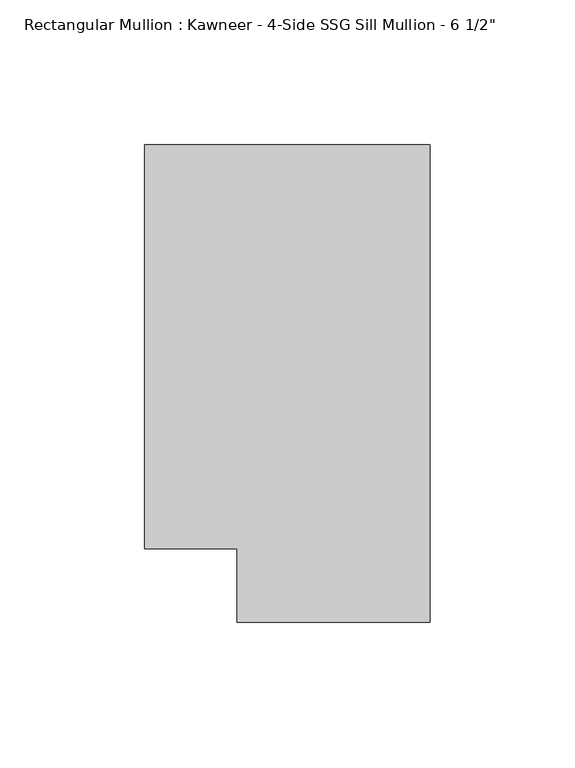
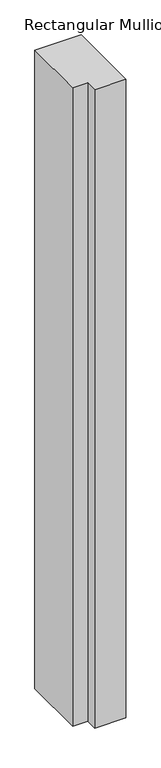
"""IFC4 building model written with IfcOpenShell, lengths in millimetres: member geometry."""

from ifc_helpers import new_model, si_unit, frame, origin, place, context, project, spatial, polyline, outline, extrude, source, transform, mapped, element, save


def member_2f98b235(model_context):
    return source(origin(), model_context, "Body", "SweptSolid", [
        extrude(outline(polyline([(0.0, 151.892), (0.0, -12.7), (-66.6751132, -12.7), (-66.6751132, 12.7), (-98.425, 12.7), (-98.425, 151.892), (0.0, 151.892)])), frame((0.0, 0.0, -1434.018147), z_axis=(0.0, 0.0, 1.0), x_axis=(1.0, 0.0, 0.0)), (0.0, 0.0, 1.0), 1434.018147),
    ])


if __name__ == "__main__":
    model = new_model("IFC4")
    model_context = context("Model", 3, world=origin())
    ifc_project = project(units=[si_unit("LENGTHUNIT", "METRE", prefix="MILLI")], contexts=[model_context])
    site = spatial("IfcSite", under=ifc_project)
    building = spatial("IfcBuilding", under=site)
    placement = place(None, origin())
    member_shape = member_2f98b235(model_context)
    element("IfcMember", 1, ObjectType="Rectangular Mullion : Kawneer - 4-Side SSG Sill Mullion - 6 1/2\"", at=placement, inside=building, context=model_context, shape_type="MappedRepresentation", body=[
        mapped(member_shape, transform((0.0, 0.0, 0.0), x_axis=(1.0, 0.0, 0.0), y_axis=(0.0, 1.0, 0.0), z_axis=(0.0, 0.0, 1.0))),
    ])
    save(model, "model.ifc")
